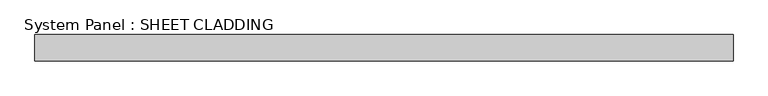
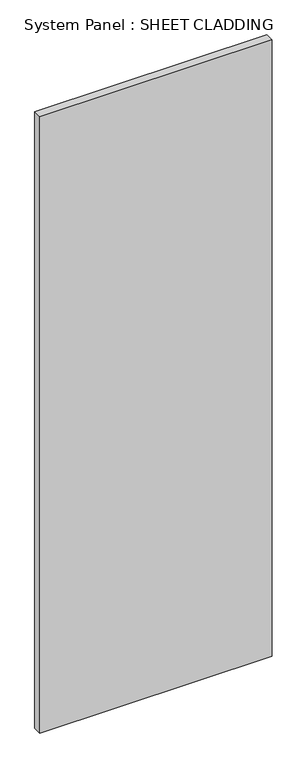
"""IFC4 building model written with IfcOpenShell, lengths in millimetres: plate geometry, System Panel : SHEET CLADDING."""

from ifc_helpers import new_model, si_unit, origin, origin_with_axes, place, context, project, spatial, polyline, outline, extrude, source, transform, mapped, element, save


def system_panel_sheet_cladding_c4e6f2ae(model_context):
    return source(origin(), model_context, "Body", "SweptSolid", [
        extrude(outline(polyline([(802.0833333, -10.5), (-802.0833333, -10.5), (-802.0833333, 49.5), (802.0833333, 49.5), (802.0833333, -10.5)])), origin_with_axes(), (0.0, 0.0, 1.0), 4500.0),
    ])


if __name__ == "__main__":
    model = new_model("IFC4")
    model_context = context("Model", 3, world=origin())
    ifc_project = project(units=[si_unit("LENGTHUNIT", "METRE", prefix="MILLI")], contexts=[model_context])
    site = spatial("IfcSite", under=ifc_project)
    building = spatial("IfcBuilding", under=site)
    placement = place(None, origin())
    system_panel_sheet_cladding_shape = system_panel_sheet_cladding_c4e6f2ae(model_context)
    element("IfcPlate", 1, ObjectType="System Panel : SHEET CLADDING", at=placement, inside=building, context=model_context, shape_type="MappedRepresentation", body=[
        mapped(system_panel_sheet_cladding_shape, transform((0.0, 0.0, 0.0), x_axis=(1.0, 0.0, 0.0), y_axis=(0.0, 1.0, 0.0), z_axis=(0.0, 0.0, 1.0))),
    ])
    save(model, "model.ifc")
